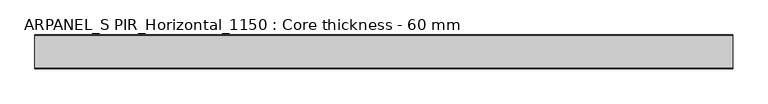
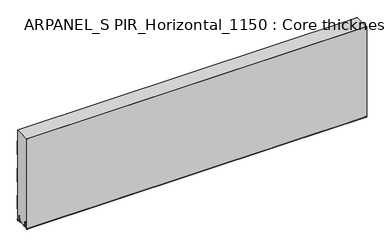
"""IFC4 building model written with IfcOpenShell, lengths in millimetres: plate geometry, ARPANEL_S PIR_Horizontal_1150 : Core thickness - 60 mm."""

from ifc_helpers import new_model, si_unit, frame, origin, place, context, project, spatial, polyline, circle_curve, source, transform, mapped, element, save
from ifc_brep_helpers import plane_surface, cylinder_surface, revolved_surface, advanced_brep


def arpanel_s_pir_horizontal_1150_core_thickness_60_mm_f08bc9b4(model_context):
    return source(origin(), model_context, "Body", "AdvancedBrep", [
        advanced_brep(
        [(620.0, -59.9996949, 3.0900682), (620.0, -53.81449, 2.7875612), (620.0, -52.197116, 19.2828169), (620.0, -49.1776715, 21.9898782), (620.0, -46.1582271, 19.2828169), (620.0, -44.7725998, 5.1510966), (620.0, -40.3830995, 5.365779), (620.0, -41.1830995, 5.365779), (620.0, -43.9764178, 5.2291629), (620.0, -45.3620451, 19.3608832), (620.0, -49.1776715, 22.7899182), (620.0, -52.9932979, 19.3608832), (620.0, -54.6106719, 2.8656275), (620.0, -59.1996949, 3.0900682), (620.0, -59.2, 350.0), (620.0, -59.9996949, 350.0), (-620.0, -59.1996949, 3.0900682), (-620.0, -54.6106719, 2.8656275), (-620.0, -52.9932979, 19.3608832), (-620.0, -49.1776715, 22.7899182), (-620.0, -45.3620451, 19.3608832), (-620.0, -43.9764178, 5.2291629), (-620.0, -41.1830995, 5.365779), (-620.0, -40.3830995, 5.365779), (-620.0, -44.7725998, 5.1510966), (-620.0, -46.1582271, 19.2828169), (-620.0, -49.1776715, 21.9898782), (-620.0, -52.197116, 19.2828169), (-620.0, -53.81449, 2.7875612), (-620.0, -59.9996949, 3.0900682), (-620.0, -59.9996949, 350.0), (-620.0, -59.2, 350.0)],
        [
            (0, 1, circle_curve(frame((620.0, -56.8996949, 3.0900682), z_axis=(1.0, 0.0, 0.0), x_axis=(0.0, 0.0, -1.0)), 3.1)),
            (1, 2),
            (2, 3, circle_curve(frame((620.0, -49.2114338, 18.9900682), z_axis=(-1.0, 0.0, 0.0), x_axis=(0.0, 0.0, -1.0)), 3.0)),
            (3, 4, circle_curve(frame((620.0, -49.1439093, 18.9900682), z_axis=(-1.0, 0.0, 0.0), x_axis=(0.0, 0.0, -1.0)), 3.0)),
            (4, 5),
            (5, 6, circle_curve(frame((620.0, -42.5830995, 5.365779), z_axis=(1.0, 0.0, 0.0), x_axis=(0.0, 0.0, -1.0)), 2.2)),
            (6, 7),
            (7, 8, circle_curve(frame((620.0, -42.5830995, 5.365779), z_axis=(-1.0, 0.0, 0.0), x_axis=(0.0, 0.0, -1.0)), 1.4)),
            (8, 9),
            (9, 10, circle_curve(frame((620.0, -49.1439093, 18.9900682), z_axis=(1.0, 0.0, 0.0), x_axis=(0.0, 0.0, -1.0)), 3.8)),
            (10, 11, circle_curve(frame((620.0, -49.2114338, 18.9900682), z_axis=(1.0, 0.0, 0.0), x_axis=(0.0, 0.0, -1.0)), 3.8)),
            (11, 12),
            (12, 13, circle_curve(frame((620.0, -56.8996949, 3.0900682), z_axis=(-1.0, 0.0, 0.0), x_axis=(0.0, 0.0, -1.0)), 2.3)),
            (13, 14),
            (14, 15),
            (15, 0),
            (16, 17, circle_curve(frame((-620.0, -56.8996949, 3.0900682), z_axis=(1.0, 0.0, 0.0), x_axis=(0.0, 0.0, -1.0)), 2.3)),
            (17, 18),
            (18, 19, circle_curve(frame((-620.0, -49.2114338, 18.9900682), z_axis=(-1.0, 0.0, 0.0), x_axis=(0.0, 0.0, -1.0)), 3.8)),
            (19, 20, circle_curve(frame((-620.0, -49.1439093, 18.9900682), z_axis=(-1.0, 0.0, 0.0), x_axis=(0.0, 0.0, -1.0)), 3.8)),
            (20, 21),
            (21, 22, circle_curve(frame((-620.0, -42.5830995, 5.365779), z_axis=(1.0, 0.0, 0.0), x_axis=(0.0, 0.0, -1.0)), 1.4)),
            (22, 23),
            (23, 24, circle_curve(frame((-620.0, -42.5830995, 5.365779), z_axis=(-1.0, 0.0, 0.0), x_axis=(0.0, 0.0, -1.0)), 2.2)),
            (24, 25),
            (25, 26, circle_curve(frame((-620.0, -49.1439093, 18.9900682), z_axis=(1.0, 0.0, 0.0), x_axis=(0.0, 0.0, -1.0)), 3.0)),
            (26, 27, circle_curve(frame((-620.0, -49.2114338, 18.9900682), z_axis=(1.0, 0.0, 0.0), x_axis=(0.0, 0.0, -1.0)), 3.0)),
            (27, 28),
            (28, 29, circle_curve(frame((-620.0, -56.8996949, 3.0900682), z_axis=(-1.0, 0.0, 0.0), x_axis=(0.0, 0.0, -1.0)), 3.1)),
            (29, 30),
            (30, 31),
            (31, 16),
            (13, 16),
            (31, 14),
            (29, 0),
            (15, 30),
            (12, 17),
            (11, 18),
            (10, 19),
            (9, 20),
            (8, 21),
            (7, 22),
            (6, 23),
            (5, 24),
            (4, 25),
            (3, 26),
            (2, 27),
            (1, 28),
        ],
        [
            plane_surface(frame((620.0, -60.0, 0.0), z_axis=(1.0, 0.0, 0.0), x_axis=(0.0, 1.0, 0.0))),
            plane_surface(frame((-620.0, -60.0, 0.0), z_axis=(-1.0, 0.0, 0.0), x_axis=(0.0, 1.0, 0.0))),
            plane_surface(frame((620.0, -59.2, 3.0900682), z_axis=(0.0, 1.0, 0.0), x_axis=(-1.0, 0.0, 0.0))),
            plane_surface(frame((620.0, -59.9996949, 1143.9000005), z_axis=(0.0, -1.0, 0.0), x_axis=(-1.0, 0.0, 0.0))),
            revolved_surface(polyline([(-620.0, -56.8996949, 0.7900682000000003), (620.0, -56.8996949, 0.7900682000000003)]), (620.0, -56.8996949, 3.0900682), (-1.0, 0.0, 0.0)),
            plane_surface(frame((620.0, -52.9932979, 19.3608832), z_axis=(0.0, -0.9952273999818314, 0.09758289975914787), x_axis=(-1.0, 0.0, 0.0))),
            cylinder_surface(frame((620.0, -49.2114338, 18.9900682), z_axis=(1.0, 0.0, 0.0), x_axis=(0.0, 0.0, -1.0)), 3.8),
            cylinder_surface(frame((620.0, -49.1439093, 18.9900682), z_axis=(1.0, 0.0, 0.0), x_axis=(0.0, 0.0, -1.0)), 3.8),
            plane_surface(frame((620.0, -43.9764178, 5.2291629), z_axis=(0.0, 0.9952273999818297, 0.09758289975916531), x_axis=(-1.0, 0.0, 0.0))),
            revolved_surface(polyline([(-620.0, -42.5830995, 3.965779), (620.0, -42.5830995, 3.965779)]), (620.0, -42.5830995, 5.365779), (-1.0, 0.0, 0.0)),
            plane_surface(frame((620.0, -40.3830995, 5.365779), z_axis=(0.0, 0.0, 1.0), x_axis=(-1.0, 0.0, 0.0))),
            cylinder_surface(frame((620.0, -42.5830995, 5.365779), z_axis=(1.0, 0.0, 0.0), x_axis=(0.0, 0.0, -1.0)), 2.2),
            plane_surface(frame((620.0, -46.1582271, 19.2828169), z_axis=(0.0, -0.9952273999818296, -0.09758289975916527), x_axis=(-1.0, 0.0, 0.0))),
            revolved_surface(polyline([(-620.0, -49.1439093, 15.9900682), (620.0, -49.1439093, 15.9900682)]), (620.0, -49.1439093, 18.9900682), (-1.0, 0.0, 0.0)),
            revolved_surface(polyline([(-620.0, -49.2114338, 15.9900682), (620.0, -49.2114338, 15.9900682)]), (620.0, -49.2114338, 18.9900682), (-1.0, 0.0, 0.0)),
            plane_surface(frame((620.0, -53.81449, 2.7875612), z_axis=(0.0, 0.9952273999818314, -0.09758289975914787), x_axis=(-1.0, 0.0, 0.0))),
            cylinder_surface(frame((620.0, -56.8996949, 3.0900682), z_axis=(1.0, 0.0, 0.0), x_axis=(0.0, 0.0, -1.0)), 3.1),
            plane_surface(frame((-620.0, 134.0533409, 350.0), z_axis=(0.0, 0.0, 1.0), x_axis=(1.0, 0.0, 0.0))),
        ],
        [
            (0, [[1, 2, 3, 4, 5, 6, 7, 8, 9, 10, 11, 12, 13, 14, 15, 16]]),
            (1, [[17, 18, 19, 20, 21, 22, 23, 24, 25, 26, 27, 28, 29, 30, 31, 32]]),
            (2, [[33, -32, 34, -14]]),
            (3, [[35, -16, 36, -30]]),
            (4, [[-13, 37, -17, -33]]),
            (5, [[-12, 38, -18, -37]]),
            (6, [[-11, 39, -19, -38]]),
            (7, [[-10, 40, -20, -39]]),
            (8, [[-9, 41, -21, -40]]),
            (9, [[-8, 42, -22, -41]]),
            (10, [[-7, 43, -23, -42]]),
            (11, [[-6, 44, -24, -43]]),
            (12, [[-5, 45, -25, -44]]),
            (13, [[-4, 46, -26, -45]]),
            (14, [[-3, 47, -27, -46]]),
            (15, [[-2, 48, -28, -47]]),
            (16, [[-1, -35, -29, -48]]),
            (17, [[-15, -34, -31, -36]]),
        ],
    ),
        advanced_brep(
        [(620.0, -0.8, 199.9459237), (620.0, -1.0986697, 200.9973395), (620.0, -1.5003051, 202.4177205), (620.0, -1.5003051, 252.5775037), (620.0, -1.0971009, 253.9969151), (620.0, -0.8, 255.0493005), (620.0, -0.8, 305.2090837), (620.0, -1.0986697, 306.2604995), (620.0, -1.5003051, 307.6808805), (620.0, -1.5003051, 350.0), (620.0, -59.2, 350.0), (620.0, -59.2, 3.0900682), (620.0, -54.6106719, 2.8656275), (620.0, -52.9932979, 19.3608832), (620.0, -49.1776715, 22.7899182), (620.0, -45.3620451, 19.3608832), (620.0, -43.9764178, 5.2291629), (620.0, -41.1830995, 5.365779), (620.0, -40.3830995, 5.365779), (620.0, -40.6102539, 4.3921875), (620.0, -19.3897461, 4.3921875), (620.0, -19.6169005, 5.365779), (620.0, -18.8169005, 5.365779), (620.0, -16.0235822, 5.2291629), (620.0, -14.6379549, 19.3608832), (620.0, -10.8223285, 22.7899182), (620.0, -7.0067021, 19.3608832), (620.0, -5.3893281, 2.8656275), (620.0, -0.8023367, 3.1867178), (620.0, -1.0986697, 4.141484), (620.0, -1.5003051, 5.5618649), (620.0, -1.5003051, 42.0511837), (620.0, -1.0971009, 43.4705951), (620.0, -0.8, 44.5229805), (620.0, -0.8, 94.6827637), (620.0, -1.0986697, 95.7341795), (620.0, -1.5003051, 97.1545605), (620.0, -1.5003051, 147.3143437), (620.0, -1.0971009, 148.7337551), (620.0, -0.8, 149.7861405), (-620.0, -1.0986697, 200.9973395), (-620.0, -0.8, 199.9459237), (-620.0, -0.8, 149.7861405), (-620.0, -1.0986697, 148.7347246), (-620.0, -1.5003051, 147.3143437), (-620.0, -1.5003051, 97.1545605), (-620.0, -1.0971009, 95.7351491), (-620.0, -0.8, 94.6827637), (-620.0, -0.8, 44.5229805), (-620.0, -1.0986697, 43.4715646), (-620.0, -1.5003051, 42.0511837), (-620.0, -1.5003051, 5.5618649), (-620.0, -1.0971009, 4.1424535), (-620.0, -0.8023367, 3.1867178), (-620.0, -5.3893281, 2.8656275), (-620.0, -7.0067021, 19.3608832), (-620.0, -10.8223285, 22.7899182), (-620.0, -14.6379549, 19.3608832), (-620.0, -16.0235822, 5.2291629), (-620.0, -18.4553868, 4.4268721), (-620.0, -18.8169005, 5.365779), (-620.0, -19.6169005, 5.365779), (-620.0, -19.3897461, 4.3921875), (-620.0, -40.6102539, 4.3921875), (-620.0, -40.3830995, 5.365779), (-620.0, -41.1830995, 5.365779), (-620.0, -41.5446132, 4.4268721), (-620.0, -43.9764178, 5.2291629), (-620.0, -45.3620451, 19.3608832), (-620.0, -49.1776715, 22.7899182), (-620.0, -52.9932979, 19.3608832), (-620.0, -54.6106719, 2.8656275), (-620.0, -59.1996949, 3.0900682), (-620.0, -59.2, 350.0), (-620.0, -1.5003051, 350.0), (-620.0, -1.5003051, 307.6808805), (-620.0, -1.0971009, 306.2614691), (-620.0, -0.8, 305.2090837), (-620.0, -0.8, 255.0493005), (-620.0, -1.0986697, 253.9978846), (-620.0, -1.5003051, 252.5775037), (-620.0, -1.5003051, 202.4177205)],
        [
            (0, 1, circle_curve(frame((620.0, -2.8, 199.9459237), z_axis=(1.0, 0.0, 0.0), x_axis=(0.0, 0.0, -1.0)), 2.0)),
            (1, 2, circle_curve(frame((620.0, 1.1996949, 202.4177205), z_axis=(-1.0, 0.0, 0.0), x_axis=(0.0, 0.0, -1.0)), 2.7)),
            (2, 3),
            (3, 4, circle_curve(frame((620.0, 1.1996949, 252.5775037), z_axis=(-1.0, 0.0, 0.0), x_axis=(0.0, 0.0, -1.0)), 2.7)),
            (4, 5, circle_curve(frame((620.0, -2.8, 255.0493005), z_axis=(1.0, 0.0, 0.0), x_axis=(0.0, 0.0, -1.0)), 2.0)),
            (5, 6),
            (6, 7, circle_curve(frame((620.0, -2.8, 305.2090837), z_axis=(1.0, 0.0, 0.0), x_axis=(0.0, 0.0, -1.0)), 2.0)),
            (7, 8, circle_curve(frame((620.0, 1.1996949, 307.6808805), z_axis=(-1.0, 0.0, 0.0), x_axis=(0.0, 0.0, -1.0)), 2.7)),
            (8, 9),
            (9, 10),
            (10, 11),
            (11, 12, circle_curve(frame((620.0, -56.8996949, 3.0900682), z_axis=(1.0, 0.0, 0.0), x_axis=(0.0, 0.0, -1.0)), 2.3)),
            (12, 13),
            (13, 14, circle_curve(frame((620.0, -49.2114338, 18.9900682), z_axis=(-1.0, 0.0, 0.0), x_axis=(0.0, 0.0, -1.0)), 3.8)),
            (14, 15, circle_curve(frame((620.0, -49.1439093, 18.9900682), z_axis=(-1.0, 0.0, 0.0), x_axis=(0.0, 0.0, -1.0)), 3.8)),
            (15, 16),
            (16, 17, circle_curve(frame((620.0, -42.5830995, 5.365779), z_axis=(1.0, 0.0, 0.0), x_axis=(0.0, 0.0, -1.0)), 1.4)),
            (17, 18),
            (18, 19, circle_curve(frame((620.0, -42.5830995, 5.365779), z_axis=(-1.0, 0.0, 0.0), x_axis=(0.0, 0.0, -1.0)), 2.2)),
            (19, 20),
            (20, 21, circle_curve(frame((620.0, -17.4169005, 5.365779), z_axis=(-1.0, 0.0, 0.0), x_axis=(0.0, 0.0, -1.0)), 2.2)),
            (21, 22),
            (22, 23, circle_curve(frame((620.0, -17.4169005, 5.365779), z_axis=(1.0, 0.0, 0.0), x_axis=(0.0, 0.0, -1.0)), 1.4)),
            (23, 24),
            (24, 25, circle_curve(frame((620.0, -10.8560907, 18.9900682), z_axis=(-1.0, 0.0, 0.0), x_axis=(0.0, 0.0, -1.0)), 3.8)),
            (25, 26, circle_curve(frame((620.0, -10.7885662, 18.9900682), z_axis=(-1.0, 0.0, 0.0), x_axis=(0.0, 0.0, -1.0)), 3.8)),
            (26, 27),
            (27, 28, circle_curve(frame((620.0, -3.1003051, 3.0900682), z_axis=(1.0, 0.0, 0.0), x_axis=(0.0, 0.0, -1.0)), 2.3)),
            (28, 29, circle_curve(frame((620.0, -2.8, 3.0900682), z_axis=(1.0, 0.0, 0.0), x_axis=(0.0, 0.0, -1.0)), 2.0)),
            (29, 30, circle_curve(frame((620.0, 1.1996949, 5.5618649), z_axis=(-1.0, 0.0, 0.0), x_axis=(0.0, 0.0, -1.0)), 2.7)),
            (30, 31),
            (31, 32, circle_curve(frame((620.0, 1.1996949, 42.0511837), z_axis=(-1.0, 0.0, 0.0), x_axis=(0.0, 0.0, -1.0)), 2.7)),
            (32, 33, circle_curve(frame((620.0, -2.8, 44.5229805), z_axis=(1.0, 0.0, 0.0), x_axis=(0.0, 0.0, -1.0)), 2.0)),
            (33, 34),
            (34, 35, circle_curve(frame((620.0, -2.8, 94.6827637), z_axis=(1.0, 0.0, 0.0), x_axis=(0.0, 0.0, -1.0)), 2.0)),
            (35, 36, circle_curve(frame((620.0, 1.1996949, 97.1545605), z_axis=(-1.0, 0.0, 0.0), x_axis=(0.0, 0.0, -1.0)), 2.7)),
            (36, 37),
            (37, 38, circle_curve(frame((620.0, 1.1996949, 147.3143437), z_axis=(-1.0, 0.0, 0.0), x_axis=(0.0, 0.0, -1.0)), 2.7)),
            (38, 39, circle_curve(frame((620.0, -2.8, 149.7861405), z_axis=(1.0, 0.0, 0.0), x_axis=(0.0, 0.0, -1.0)), 2.0)),
            (39, 0),
            (40, 41, circle_curve(frame((-620.0, -2.8, 199.9459237), z_axis=(-1.0, 0.0, 0.0), x_axis=(0.0, 0.0, -1.0)), 2.0)),
            (41, 42),
            (42, 43, circle_curve(frame((-620.0, -2.8, 149.7861405), z_axis=(-1.0, 0.0, 0.0), x_axis=(0.0, 0.0, -1.0)), 2.0)),
            (43, 44, circle_curve(frame((-620.0, 1.1996949, 147.3143437), z_axis=(1.0, 0.0, 0.0), x_axis=(0.0, 0.0, -1.0)), 2.7)),
            (44, 45),
            (45, 46, circle_curve(frame((-620.0, 1.1996949, 97.1545605), z_axis=(1.0, 0.0, 0.0), x_axis=(0.0, 0.0, -1.0)), 2.7)),
            (46, 47, circle_curve(frame((-620.0, -2.8, 94.6827637), z_axis=(-1.0, 0.0, 0.0), x_axis=(0.0, 0.0, -1.0)), 2.0)),
            (47, 48),
            (48, 49, circle_curve(frame((-620.0, -2.8, 44.5229805), z_axis=(-1.0, 0.0, 0.0), x_axis=(0.0, 0.0, -1.0)), 2.0)),
            (49, 50, circle_curve(frame((-620.0, 1.1996949, 42.0511837), z_axis=(1.0, 0.0, 0.0), x_axis=(0.0, 0.0, -1.0)), 2.7)),
            (50, 51),
            (51, 52, circle_curve(frame((-620.0, 1.1996949, 5.5618649), z_axis=(1.0, 0.0, 0.0), x_axis=(0.0, 0.0, -1.0)), 2.7)),
            (52, 53, circle_curve(frame((-620.0, -2.8, 3.0900682), z_axis=(-1.0, 0.0, 0.0), x_axis=(0.0, 0.0, -1.0)), 2.0)),
            (53, 54, circle_curve(frame((-620.0, -3.1003051, 3.0900682), z_axis=(-1.0, 0.0, 0.0), x_axis=(0.0, 0.0, -1.0)), 2.3)),
            (54, 55),
            (55, 56, circle_curve(frame((-620.0, -10.7885662, 18.9900682), z_axis=(1.0, 0.0, 0.0), x_axis=(0.0, 0.0, -1.0)), 3.8)),
            (56, 57, circle_curve(frame((-620.0, -10.8560907, 18.9900682), z_axis=(1.0, 0.0, 0.0), x_axis=(0.0, 0.0, -1.0)), 3.8)),
            (57, 58),
            (58, 59, circle_curve(frame((-620.0, -17.4169005, 5.365779), z_axis=(-1.0, 0.0, 0.0), x_axis=(0.0, 0.0, -1.0)), 1.4)),
            (59, 60, circle_curve(frame((-620.0, -17.4169005, 5.365779), z_axis=(-1.0, 0.0, 0.0), x_axis=(0.0, 0.0, -1.0)), 1.4)),
            (60, 61),
            (61, 62, circle_curve(frame((-620.0, -17.4169005, 5.365779), z_axis=(1.0, 0.0, 0.0), x_axis=(0.0, 0.0, -1.0)), 2.2)),
            (62, 63),
            (63, 64, circle_curve(frame((-620.0, -42.5830995, 5.365779), z_axis=(1.0, 0.0, 0.0), x_axis=(0.0, 0.0, -1.0)), 2.2)),
            (64, 65),
            (65, 66, circle_curve(frame((-620.0, -42.5830995, 5.365779), z_axis=(-1.0, 0.0, 0.0), x_axis=(0.0, 0.0, -1.0)), 1.4)),
            (66, 67, circle_curve(frame((-620.0, -42.5830995, 5.365779), z_axis=(-1.0, 0.0, 0.0), x_axis=(0.0, 0.0, -1.0)), 1.4)),
            (67, 68),
            (68, 69, circle_curve(frame((-620.0, -49.1439093, 18.9900682), z_axis=(1.0, 0.0, 0.0), x_axis=(0.0, 0.0, -1.0)), 3.8)),
            (69, 70, circle_curve(frame((-620.0, -49.2114338, 18.9900682), z_axis=(1.0, 0.0, 0.0), x_axis=(0.0, 0.0, -1.0)), 3.8)),
            (70, 71),
            (71, 72, circle_curve(frame((-620.0, -56.8996949, 3.0900682), z_axis=(-1.0, 0.0, 0.0), x_axis=(0.0, 0.0, -1.0)), 2.3)),
            (72, 73),
            (73, 74),
            (74, 75),
            (75, 76, circle_curve(frame((-620.0, 1.1996949, 307.6808805), z_axis=(1.0, 0.0, 0.0), x_axis=(0.0, 0.0, -1.0)), 2.7)),
            (76, 77, circle_curve(frame((-620.0, -2.8, 305.2090837), z_axis=(-1.0, 0.0, 0.0), x_axis=(0.0, 0.0, -1.0)), 2.0)),
            (77, 78),
            (78, 79, circle_curve(frame((-620.0, -2.8, 255.0493005), z_axis=(-1.0, 0.0, 0.0), x_axis=(0.0, 0.0, -1.0)), 2.0)),
            (79, 80, circle_curve(frame((-620.0, 1.1996949, 252.5775037), z_axis=(1.0, 0.0, 0.0), x_axis=(0.0, 0.0, -1.0)), 2.7)),
            (80, 81),
            (81, 40, circle_curve(frame((-620.0, 1.1996949, 202.4177205), z_axis=(1.0, 0.0, 0.0), x_axis=(0.0, 0.0, -1.0)), 2.7)),
            (40, 1),
            (0, 41),
            (81, 2),
            (80, 3),
            (79, 4),
            (78, 5),
            (77, 6),
            (76, 7),
            (75, 8),
            (74, 9),
            (72, 11),
            (10, 73),
            (46, 35),
            (34, 47),
            (45, 36),
            (44, 37),
            (43, 38),
            (42, 39),
            (71, 12),
            (18, 64),
            (63, 19),
            (61, 21),
            (20, 62),
            (60, 22),
            (58, 23),
            (57, 24),
            (56, 25),
            (55, 26),
            (54, 27),
            (53, 28),
            (52, 29),
            (51, 30),
            (50, 31),
            (49, 32),
            (48, 33),
            (70, 13),
            (69, 14),
            (68, 15),
            (67, 16),
            (65, 17),
        ],
        [
            plane_surface(frame((620.0, 0.0, 0.0), z_axis=(1.0, 0.0, 0.0), x_axis=(0.0, -1.0, 0.0))),
            plane_surface(frame((-620.0, 0.0, 0.0), z_axis=(-1.0, 0.0, 0.0), x_axis=(0.0, -1.0, 0.0))),
            cylinder_surface(frame((750.0, -2.8, 199.9459237), z_axis=(-1.0, 0.0, 0.0), x_axis=(0.0, 0.0, -1.0)), 2.0),
            revolved_surface(polyline([(620.0, 1.1996949, 199.7177205), (-620.0, 1.1996949, 199.7177205)]), (750.0, 1.1996949, 202.4177205), (1.0, 0.0, 0.0)),
            plane_surface(frame((750.0, -1.5003051, 252.5775037), z_axis=(0.0, 1.0, 0.0), x_axis=(-1.0, 0.0, 0.0))),
            revolved_surface(polyline([(620.0, 1.1996949, 249.8775037), (-620.0, 1.1996949, 249.8775037)]), (750.0, 1.1996949, 252.5775037), (1.0, 0.0, 0.0)),
            cylinder_surface(frame((750.0, -2.8, 255.0493005), z_axis=(-1.0, 0.0, 0.0), x_axis=(0.0, 0.0, -1.0)), 2.0),
            plane_surface(frame((750.0, -0.8, 305.2090837), z_axis=(0.0, 1.0, 0.0), x_axis=(-1.0, 0.0, 0.0))),
            cylinder_surface(frame((750.0, -2.8, 305.2090837), z_axis=(-1.0, 0.0, 0.0), x_axis=(0.0, 0.0, -1.0)), 2.0),
            revolved_surface(polyline([(620.0, 1.1996949, 304.9808805), (-620.0, 1.1996949, 304.9808805)]), (750.0, 1.1996949, 307.6808805), (1.0, 0.0, 0.0)),
            plane_surface(frame((750.0, -1.5003051, 357.8406637), z_axis=(0.0, 1.0, 0.0), x_axis=(-1.0, 0.0, 0.0))),
            plane_surface(frame((750.0, -59.2, 3.0900682), z_axis=(0.0, -1.0, 0.0), x_axis=(-1.0, 0.0, 0.0))),
            cylinder_surface(frame((750.0, -2.8, 94.6827637), z_axis=(-1.0, 0.0, 0.0), x_axis=(0.0, 0.0, -1.0)), 2.0),
            revolved_surface(polyline([(620.0, 1.1996949, 94.4545605), (-620.0, 1.1996949, 94.4545605)]), (750.0, 1.1996949, 97.1545605), (1.0, 0.0, 0.0)),
            plane_surface(frame((750.0, -1.5003051, 147.3143437), z_axis=(0.0, 1.0, 0.0), x_axis=(-1.0, 0.0, 0.0))),
            revolved_surface(polyline([(620.0, 1.1996949, 144.6143437), (-620.0, 1.1996949, 144.6143437)]), (750.0, 1.1996949, 147.3143437), (1.0, 0.0, 0.0)),
            cylinder_surface(frame((750.0, -2.8, 149.7861405), z_axis=(-1.0, 0.0, 0.0), x_axis=(0.0, 0.0, -1.0)), 2.0),
            plane_surface(frame((750.0, -0.8, 199.9459237), z_axis=(0.0, 1.0, 0.0), x_axis=(-1.0, 0.0, 0.0))),
            cylinder_surface(frame((750.0, -56.8996949, 3.0900682), z_axis=(-1.0, 0.0, 0.0), x_axis=(0.0, 0.0, -1.0)), 2.3),
            revolved_surface(polyline([(620.0, -42.5830995, 3.1657789999999997), (-620.0, -42.5830995, 3.1657789999999997)]), (750.0, -42.5830995, 5.365779), (1.0, 0.0, 0.0)),
            revolved_surface(polyline([(620.0, -17.4169005, 3.1657789999999997), (-620.0, -17.4169005, 3.1657789999999997)]), (750.0, -17.4169005, 5.365779), (1.0, 0.0, 0.0)),
            plane_surface(frame((750.0, -18.8169005, 5.365779), z_axis=(0.0, 0.0, -1.0), x_axis=(-1.0, 0.0, 0.0))),
            cylinder_surface(frame((750.0, -17.4169005, 5.365779), z_axis=(-1.0, 0.0, 0.0), x_axis=(0.0, 0.0, -1.0)), 1.4),
            plane_surface(frame((750.0, -14.6379549, 19.3608832), z_axis=(0.0, 0.9952273999818297, -0.09758289975916531), x_axis=(-1.0, 0.0, 0.0))),
            revolved_surface(polyline([(620.0, -10.8560907, 15.190068199999999), (-620.0, -10.8560907, 15.190068199999999)]), (750.0, -10.8560907, 18.9900682), (1.0, 0.0, 0.0)),
            revolved_surface(polyline([(620.0, -10.7885662, 15.190068199999999), (-620.0, -10.7885662, 15.190068199999999)]), (750.0, -10.7885662, 18.9900682), (1.0, 0.0, 0.0)),
            plane_surface(frame((750.0, -5.3893281, 2.8656275), z_axis=(0.0, -0.9952273999818314, -0.09758289975914787), x_axis=(-1.0, 0.0, 0.0))),
            cylinder_surface(frame((750.0, -3.1003051, 3.0900682), z_axis=(-1.0, 0.0, 0.0), x_axis=(0.0, 0.0, -1.0)), 2.3),
            cylinder_surface(frame((750.0, -2.8, 3.0900682), z_axis=(-1.0, 0.0, 0.0), x_axis=(0.0, 0.0, -1.0)), 2.0),
            revolved_surface(polyline([(620.0, 1.1996949, 2.8618648999999996), (-620.0, 1.1996949, 2.8618648999999996)]), (750.0, 1.1996949, 5.5618649), (1.0, 0.0, 0.0)),
            plane_surface(frame((750.0, -1.5003051, 42.0511837), z_axis=(0.0, 1.0, 0.0), x_axis=(-1.0, 0.0, 0.0))),
            revolved_surface(polyline([(620.0, 1.1996949, 39.3511837), (-620.0, 1.1996949, 39.3511837)]), (750.0, 1.1996949, 42.0511837), (1.0, 0.0, 0.0)),
            cylinder_surface(frame((750.0, -2.8, 44.5229805), z_axis=(-1.0, 0.0, 0.0), x_axis=(0.0, 0.0, -1.0)), 2.0),
            plane_surface(frame((750.0, -0.8, 94.6827637), z_axis=(0.0, 1.0, 0.0), x_axis=(-1.0, 0.0, 0.0))),
            plane_surface(frame((750.0, -52.9932979, 19.3608832), z_axis=(0.0, 0.9952273999818314, -0.09758289975914787), x_axis=(-1.0, 0.0, 0.0))),
            revolved_surface(polyline([(620.0, -49.2114338, 15.190068199999999), (-620.0, -49.2114338, 15.190068199999999)]), (750.0, -49.2114338, 18.9900682), (1.0, 0.0, 0.0)),
            revolved_surface(polyline([(620.0, -49.1439093, 15.190068199999999), (-620.0, -49.1439093, 15.190068199999999)]), (750.0, -49.1439093, 18.9900682), (1.0, 0.0, 0.0)),
            plane_surface(frame((750.0, -43.9764178, 5.2291629), z_axis=(0.0, -0.9952273999818297, -0.09758289975916531), x_axis=(-1.0, 0.0, 0.0))),
            cylinder_surface(frame((750.0, -42.5830995, 5.365779), z_axis=(-1.0, 0.0, 0.0), x_axis=(0.0, 0.0, -1.0)), 1.4),
            plane_surface(frame((750.0, -40.3830995, 5.365779), z_axis=(0.0, 0.0, -1.0), x_axis=(-1.0, 0.0, 0.0))),
            plane_surface(frame((620.0, -41.50625, 4.3921875), z_axis=(0.0, 0.0, -1.0), x_axis=(-1.0, 0.0, 0.0))),
            plane_surface(frame((-620.0, 134.0533409, 350.0), z_axis=(0.0, 0.0, 1.0), x_axis=(1.0, 0.0, 0.0))),
        ],
        [
            (0, [[1, 2, 3, 4, 5, 6, 7, 8, 9, 10, 11, 12, 13, 14, 15, 16, 17, 18, 19, 20, 21, 22, 23, 24, 25, 26, 27, 28, 29, 30, 31, 32, 33, 34, 35, 36, 37, 38, 39, 40]]),
            (1, [[41, 42, 43, 44, 45, 46, 47, 48, 49, 50, 51, 52, 53, 54, 55, 56, 57, 58, 59, 60, 61, 62, 63, 64, 65, 66, 67, 68, 69, 70, 71, 72, 73, 74, 75, 76, 77, 78, 79, 80, 81, 82]]),
            (2, [[83, -1, 84, -41]]),
            (3, [[-83, -82, 85, -2]]),
            (4, [[-85, -81, 86, -3]]),
            (5, [[-86, -80, 87, -4]]),
            (6, [[-87, -79, 88, -5]]),
            (7, [[-88, -78, 89, -6]]),
            (8, [[-89, -77, 90, -7]]),
            (9, [[-90, -76, 91, -8]]),
            (10, [[-91, -75, 92, -9]]),
            (11, [[93, -11, 94, -73]]),
            (12, [[95, -35, 96, -47]]),
            (13, [[-95, -46, 97, -36]]),
            (14, [[-97, -45, 98, -37]]),
            (15, [[-98, -44, 99, -38]]),
            (16, [[-99, -43, 100, -39]]),
            (17, [[-100, -42, -84, -40]]),
            (18, [[-93, -72, 101, -12]]),
            (19, [[102, -64, 103, -19]]),
            (20, [[104, -21, 105, -62]]),
            (21, [[-104, -61, 106, -22]]),
            (22, [[-106, -60, -59, 107, -23]]),
            (23, [[-107, -58, 108, -24]]),
            (24, [[-108, -57, 109, -25]]),
            (25, [[-109, -56, 110, -26]]),
            (26, [[-110, -55, 111, -27]]),
            (27, [[-111, -54, 112, -28]]),
            (28, [[-112, -53, 113, -29]]),
            (29, [[-113, -52, 114, -30]]),
            (30, [[-114, -51, 115, -31]]),
            (31, [[-115, -50, 116, -32]]),
            (32, [[-116, -49, 117, -33]]),
            (33, [[-117, -48, -96, -34]]),
            (34, [[-101, -71, 118, -13]]),
            (35, [[-118, -70, 119, -14]]),
            (36, [[-119, -69, 120, -15]]),
            (37, [[-120, -68, 121, -16]]),
            (38, [[-121, -67, -66, 122, -17]]),
            (39, [[-122, -65, -102, -18]]),
            (40, [[-105, -20, -103, -63]]),
            (41, [[-92, -74, -94, -10]]),
        ],
    ),
        advanced_brep(
        [(-620.0, -0.7003051, 307.6808805), (-620.0, -0.4016712, 306.6295226), (-620.0, -0.0003051, 305.2090837), (-620.0, -0.0003051, 255.0493005), (-620.0, -0.4034608, 253.6299674), (-620.0, -0.7003051, 252.5775037), (-620.0, -0.7003051, 202.4177205), (-620.0, -0.4016712, 201.3663626), (-620.0, -0.0003051, 199.9459237), (-620.0, -0.0003051, 149.7861405), (-620.0, -0.4034608, 148.3668074), (-620.0, -0.7003051, 147.3143437), (-620.0, -0.7003051, 97.1545605), (-620.0, -0.4016712, 96.1032026), (-620.0, -0.0003051, 94.6827637), (-620.0, -0.0003051, 44.5229805), (-620.0, -0.4034608, 43.1036474), (-620.0, -0.7003051, 42.0511837), (-620.0, -0.7003051, 5.5618649), (-620.0, -0.4016712, 4.5105071), (-620.0, -0.0003051, 3.0900682), (-620.0, -6.18551, 2.7875612), (-620.0, -7.802884, 19.2828169), (-620.0, -10.8223285, 21.9898782), (-620.0, -13.8417729, 19.2828169), (-620.0, -15.2274002, 5.1510966), (-620.0, -19.6169005, 5.365779), (-620.0, -18.8169005, 5.365779), (-620.0, -16.0235822, 5.2291629), (-620.0, -14.6379549, 19.3608832), (-620.0, -10.8223285, 22.7899182), (-620.0, -7.0067021, 19.3608832), (-620.0, -5.3893281, 2.8656275), (-620.0, -0.8023367, 3.1867178), (-620.0, -1.0986697, 4.141484), (-620.0, -1.5003051, 5.5618649), (-620.0, -1.5003051, 42.0511837), (-620.0, -1.0971009, 43.4705951), (-620.0, -0.8, 44.5229805), (-620.0, -0.8, 94.6827637), (-620.0, -1.0986697, 95.7341795), (-620.0, -1.5003051, 97.1545605), (-620.0, -1.5003051, 147.3143437), (-620.0, -1.0971009, 148.7337551), (-620.0, -0.8, 149.7861405), (-620.0, -0.8, 199.9459237), (-620.0, -1.0986697, 200.9973395), (-620.0, -1.5003051, 202.4177205), (-620.0, -1.5003051, 252.5775037), (-620.0, -1.0971009, 253.9969151), (-620.0, -0.8, 255.0493005), (-620.0, -0.8, 305.2090837), (-620.0, -1.0986697, 306.2604995), (-620.0, -1.5003051, 307.6808805), (-620.0, -1.5003051, 350.0), (-620.0, -0.7003051, 350.0), (620.0, -1.5003051, 307.6808805), (620.0, -1.0971009, 306.2614691), (620.0, -0.8, 305.2090837), (620.0, -0.8, 255.0493005), (620.0, -1.0986697, 253.9978846), (620.0, -1.5003051, 252.5775037), (620.0, -1.5003051, 202.4177205), (620.0, -1.0971009, 200.9983091), (620.0, -0.8, 199.9459237), (620.0, -0.8, 149.7861405), (620.0, -1.0986697, 148.7347246), (620.0, -1.5003051, 147.3143437), (620.0, -1.5003051, 97.1545605), (620.0, -1.0971009, 95.7351491), (620.0, -0.8, 94.6827637), (620.0, -0.8, 44.5229805), (620.0, -1.0986697, 43.4715646), (620.0, -1.5003051, 42.0511837), (620.0, -1.5003051, 5.5618649), (620.0, -1.0971009, 4.1424535), (620.0, -0.8023367, 3.1867178), (620.0, -5.3893281, 2.8656275), (620.0, -7.0067021, 19.3608832), (620.0, -10.8223285, 22.7899182), (620.0, -14.6379549, 19.3608832), (620.0, -16.0235822, 5.2291629), (620.0, -18.8169005, 5.365779), (620.0, -19.6169005, 5.365779), (620.0, -15.2274002, 5.1510966), (620.0, -13.8417729, 19.2828169), (620.0, -10.8223285, 21.9898782), (620.0, -7.802884, 19.2828169), (620.0, -6.18551, 2.7875612), (620.0, -0.0003051, 3.0900682), (620.0, -0.4034608, 4.5094012), (620.0, -0.7003051, 5.5618649), (620.0, -0.7003051, 42.0511837), (620.0, -0.4016712, 43.1025415), (620.0, -0.0003051, 44.5229805), (620.0, -0.0003051, 94.6827637), (620.0, -0.4034608, 96.1020968), (620.0, -0.7003051, 97.1545605), (620.0, -0.7003051, 147.3143437), (620.0, -0.4016712, 148.3657015), (620.0, -0.0003051, 149.7861405), (620.0, -0.0003051, 199.9459237), (620.0, -0.4034608, 201.3652568), (620.0, -0.7003051, 202.4177205), (620.0, -0.7003051, 252.5775037), (620.0, -0.4016712, 253.6288615), (620.0, -0.0003051, 255.0493005), (620.0, -0.0003051, 305.2090837), (620.0, -0.4034608, 306.6284168), (620.0, -0.7003051, 307.6808805), (620.0, -0.7003051, 350.0), (620.0, -1.5003051, 350.0)],
        [
            (0, 1, circle_curve(frame((-620.0, 1.2996949, 307.6808805), z_axis=(1.0, 0.0, 0.0), x_axis=(0.0, 0.0, -1.0)), 2.0)),
            (1, 2, circle_curve(frame((-620.0, -2.7003051, 305.2090837), z_axis=(-1.0, 0.0, 0.0), x_axis=(0.0, 0.0, -1.0)), 2.7)),
            (2, 3),
            (3, 4, circle_curve(frame((-620.0, -2.7003051, 255.0493005), z_axis=(-1.0, 0.0, 0.0), x_axis=(0.0, 0.0, -1.0)), 2.7)),
            (4, 5, circle_curve(frame((-620.0, 1.2996949, 252.5775037), z_axis=(1.0, 0.0, 0.0), x_axis=(0.0, 0.0, -1.0)), 2.0)),
            (5, 6),
            (6, 7, circle_curve(frame((-620.0, 1.2996949, 202.4177205), z_axis=(1.0, 0.0, 0.0), x_axis=(0.0, 0.0, -1.0)), 2.0)),
            (7, 8, circle_curve(frame((-620.0, -2.7003051, 199.9459237), z_axis=(-1.0, 0.0, 0.0), x_axis=(0.0, 0.0, -1.0)), 2.7)),
            (8, 9),
            (9, 10, circle_curve(frame((-620.0, -2.7003051, 149.7861405), z_axis=(-1.0, 0.0, 0.0), x_axis=(0.0, 0.0, -1.0)), 2.7)),
            (10, 11, circle_curve(frame((-620.0, 1.2996949, 147.3143437), z_axis=(1.0, 0.0, 0.0), x_axis=(0.0, 0.0, -1.0)), 2.0)),
            (11, 12),
            (12, 13, circle_curve(frame((-620.0, 1.2996949, 97.1545605), z_axis=(1.0, 0.0, 0.0), x_axis=(0.0, 0.0, -1.0)), 2.0)),
            (13, 14, circle_curve(frame((-620.0, -2.7003051, 94.6827637), z_axis=(-1.0, 0.0, 0.0), x_axis=(0.0, 0.0, -1.0)), 2.7)),
            (14, 15),
            (15, 16, circle_curve(frame((-620.0, -2.7003051, 44.5229805), z_axis=(-1.0, 0.0, 0.0), x_axis=(0.0, 0.0, -1.0)), 2.7)),
            (16, 17, circle_curve(frame((-620.0, 1.2996949, 42.0511837), z_axis=(1.0, 0.0, 0.0), x_axis=(0.0, 0.0, -1.0)), 2.0)),
            (17, 18),
            (18, 19, circle_curve(frame((-620.0, 1.2996949, 5.5618649), z_axis=(1.0, 0.0, 0.0), x_axis=(0.0, 0.0, -1.0)), 2.0)),
            (19, 20, circle_curve(frame((-620.0, -2.7003051, 3.0900682), z_axis=(-1.0, 0.0, 0.0), x_axis=(0.0, 0.0, -1.0)), 2.7)),
            (20, 21, circle_curve(frame((-620.0, -3.1003051, 3.0900682), z_axis=(-1.0, 0.0, 0.0), x_axis=(0.0, 0.0, -1.0)), 3.1)),
            (21, 22),
            (22, 23, circle_curve(frame((-620.0, -10.7885662, 18.9900682), z_axis=(1.0, 0.0, 0.0), x_axis=(0.0, 0.0, -1.0)), 3.0)),
            (23, 24, circle_curve(frame((-620.0, -10.8560907, 18.9900682), z_axis=(1.0, 0.0, 0.0), x_axis=(0.0, 0.0, -1.0)), 3.0)),
            (24, 25),
            (25, 26, circle_curve(frame((-620.0, -17.4169005, 5.365779), z_axis=(-1.0, 0.0, 0.0), x_axis=(0.0, 0.0, -1.0)), 2.2)),
            (26, 27),
            (27, 28, circle_curve(frame((-620.0, -17.4169005, 5.365779), z_axis=(1.0, 0.0, 0.0), x_axis=(0.0, 0.0, -1.0)), 1.4)),
            (28, 29),
            (29, 30, circle_curve(frame((-620.0, -10.8560907, 18.9900682), z_axis=(-1.0, 0.0, 0.0), x_axis=(0.0, 0.0, -1.0)), 3.8)),
            (30, 31, circle_curve(frame((-620.0, -10.7885662, 18.9900682), z_axis=(-1.0, 0.0, 0.0), x_axis=(0.0, 0.0, -1.0)), 3.8)),
            (31, 32),
            (32, 33, circle_curve(frame((-620.0, -3.1003051, 3.0900682), z_axis=(1.0, 0.0, 0.0), x_axis=(0.0, 0.0, -1.0)), 2.3)),
            (33, 34, circle_curve(frame((-620.0, -2.8, 3.0900682), z_axis=(1.0, 0.0, 0.0), x_axis=(0.0, 0.0, -1.0)), 2.0)),
            (34, 35, circle_curve(frame((-620.0, 1.1996949, 5.5618649), z_axis=(-1.0, 0.0, 0.0), x_axis=(0.0, 0.0, -1.0)), 2.7)),
            (35, 36),
            (36, 37, circle_curve(frame((-620.0, 1.1996949, 42.0511837), z_axis=(-1.0, 0.0, 0.0), x_axis=(0.0, 0.0, -1.0)), 2.7)),
            (37, 38, circle_curve(frame((-620.0, -2.8, 44.5229805), z_axis=(1.0, 0.0, 0.0), x_axis=(0.0, 0.0, -1.0)), 2.0)),
            (38, 39),
            (39, 40, circle_curve(frame((-620.0, -2.8, 94.6827637), z_axis=(1.0, 0.0, 0.0), x_axis=(0.0, 0.0, -1.0)), 2.0)),
            (40, 41, circle_curve(frame((-620.0, 1.1996949, 97.1545605), z_axis=(-1.0, 0.0, 0.0), x_axis=(0.0, 0.0, -1.0)), 2.7)),
            (41, 42),
            (42, 43, circle_curve(frame((-620.0, 1.1996949, 147.3143437), z_axis=(-1.0, 0.0, 0.0), x_axis=(0.0, 0.0, -1.0)), 2.7)),
            (43, 44, circle_curve(frame((-620.0, -2.8, 149.7861405), z_axis=(1.0, 0.0, 0.0), x_axis=(0.0, 0.0, -1.0)), 2.0)),
            (44, 45),
            (45, 46, circle_curve(frame((-620.0, -2.8, 199.9459237), z_axis=(1.0, 0.0, 0.0), x_axis=(0.0, 0.0, -1.0)), 2.0)),
            (46, 47, circle_curve(frame((-620.0, 1.1996949, 202.4177205), z_axis=(-1.0, 0.0, 0.0), x_axis=(0.0, 0.0, -1.0)), 2.7)),
            (47, 48),
            (48, 49, circle_curve(frame((-620.0, 1.1996949, 252.5775037), z_axis=(-1.0, 0.0, 0.0), x_axis=(0.0, 0.0, -1.0)), 2.7)),
            (49, 50, circle_curve(frame((-620.0, -2.8, 255.0493005), z_axis=(1.0, 0.0, 0.0), x_axis=(0.0, 0.0, -1.0)), 2.0)),
            (50, 51),
            (51, 52, circle_curve(frame((-620.0, -2.8, 305.2090837), z_axis=(1.0, 0.0, 0.0), x_axis=(0.0, 0.0, -1.0)), 2.0)),
            (52, 53, circle_curve(frame((-620.0, 1.1996949, 307.6808805), z_axis=(-1.0, 0.0, 0.0), x_axis=(0.0, 0.0, -1.0)), 2.7)),
            (53, 54),
            (54, 55),
            (55, 0),
            (56, 57, circle_curve(frame((620.0, 1.1996949, 307.6808805), z_axis=(1.0, 0.0, 0.0), x_axis=(0.0, 0.0, -1.0)), 2.7)),
            (57, 58, circle_curve(frame((620.0, -2.8, 305.2090837), z_axis=(-1.0, 0.0, 0.0), x_axis=(0.0, 0.0, -1.0)), 2.0)),
            (58, 59),
            (59, 60, circle_curve(frame((620.0, -2.8, 255.0493005), z_axis=(-1.0, 0.0, 0.0), x_axis=(0.0, 0.0, -1.0)), 2.0)),
            (60, 61, circle_curve(frame((620.0, 1.1996949, 252.5775037), z_axis=(1.0, 0.0, 0.0), x_axis=(0.0, 0.0, -1.0)), 2.7)),
            (61, 62),
            (62, 63, circle_curve(frame((620.0, 1.1996949, 202.4177205), z_axis=(1.0, 0.0, 0.0), x_axis=(0.0, 0.0, -1.0)), 2.7)),
            (63, 64, circle_curve(frame((620.0, -2.8, 199.9459237), z_axis=(-1.0, 0.0, 0.0), x_axis=(0.0, 0.0, -1.0)), 2.0)),
            (64, 65),
            (65, 66, circle_curve(frame((620.0, -2.8, 149.7861405), z_axis=(-1.0, 0.0, 0.0), x_axis=(0.0, 0.0, -1.0)), 2.0)),
            (66, 67, circle_curve(frame((620.0, 1.1996949, 147.3143437), z_axis=(1.0, 0.0, 0.0), x_axis=(0.0, 0.0, -1.0)), 2.7)),
            (67, 68),
            (68, 69, circle_curve(frame((620.0, 1.1996949, 97.1545605), z_axis=(1.0, 0.0, 0.0), x_axis=(0.0, 0.0, -1.0)), 2.7)),
            (69, 70, circle_curve(frame((620.0, -2.8, 94.6827637), z_axis=(-1.0, 0.0, 0.0), x_axis=(0.0, 0.0, -1.0)), 2.0)),
            (70, 71),
            (71, 72, circle_curve(frame((620.0, -2.8, 44.5229805), z_axis=(-1.0, 0.0, 0.0), x_axis=(0.0, 0.0, -1.0)), 2.0)),
            (72, 73, circle_curve(frame((620.0, 1.1996949, 42.0511837), z_axis=(1.0, 0.0, 0.0), x_axis=(0.0, 0.0, -1.0)), 2.7)),
            (73, 74),
            (74, 75, circle_curve(frame((620.0, 1.1996949, 5.5618649), z_axis=(1.0, 0.0, 0.0), x_axis=(0.0, 0.0, -1.0)), 2.7)),
            (75, 76, circle_curve(frame((620.0, -2.8, 3.0900682), z_axis=(-1.0, 0.0, 0.0), x_axis=(0.0, 0.0, -1.0)), 2.0)),
            (76, 77, circle_curve(frame((620.0, -3.1003051, 3.0900682), z_axis=(-1.0, 0.0, 0.0), x_axis=(0.0, 0.0, -1.0)), 2.3)),
            (77, 78),
            (78, 79, circle_curve(frame((620.0, -10.7885662, 18.9900682), z_axis=(1.0, 0.0, 0.0), x_axis=(0.0, 0.0, -1.0)), 3.8)),
            (79, 80, circle_curve(frame((620.0, -10.8560907, 18.9900682), z_axis=(1.0, 0.0, 0.0), x_axis=(0.0, 0.0, -1.0)), 3.8)),
            (80, 81),
            (81, 82, circle_curve(frame((620.0, -17.4169005, 5.365779), z_axis=(-1.0, 0.0, 0.0), x_axis=(0.0, 0.0, -1.0)), 1.4)),
            (82, 83),
            (83, 84, circle_curve(frame((620.0, -17.4169005, 5.365779), z_axis=(1.0, 0.0, 0.0), x_axis=(0.0, 0.0, -1.0)), 2.2)),
            (84, 85),
            (85, 86, circle_curve(frame((620.0, -10.8560907, 18.9900682), z_axis=(-1.0, 0.0, 0.0), x_axis=(0.0, 0.0, -1.0)), 3.0)),
            (86, 87, circle_curve(frame((620.0, -10.7885662, 18.9900682), z_axis=(-1.0, 0.0, 0.0), x_axis=(0.0, 0.0, -1.0)), 3.0)),
            (87, 88),
            (88, 89, circle_curve(frame((620.0, -3.1003051, 3.0900682), z_axis=(1.0, 0.0, 0.0), x_axis=(0.0, 0.0, -1.0)), 3.1)),
            (89, 90, circle_curve(frame((620.0, -2.7003051, 3.0900682), z_axis=(1.0, 0.0, 0.0), x_axis=(0.0, 0.0, -1.0)), 2.7)),
            (90, 91, circle_curve(frame((620.0, 1.2996949, 5.5618649), z_axis=(-1.0, 0.0, 0.0), x_axis=(0.0, 0.0, -1.0)), 2.0)),
            (91, 92),
            (92, 93, circle_curve(frame((620.0, 1.2996949, 42.0511837), z_axis=(-1.0, 0.0, 0.0), x_axis=(0.0, 0.0, -1.0)), 2.0)),
            (93, 94, circle_curve(frame((620.0, -2.7003051, 44.5229805), z_axis=(1.0, 0.0, 0.0), x_axis=(0.0, 0.0, -1.0)), 2.7)),
            (94, 95),
            (95, 96, circle_curve(frame((620.0, -2.7003051, 94.6827637), z_axis=(1.0, 0.0, 0.0), x_axis=(0.0, 0.0, -1.0)), 2.7)),
            (96, 97, circle_curve(frame((620.0, 1.2996949, 97.1545605), z_axis=(-1.0, 0.0, 0.0), x_axis=(0.0, 0.0, -1.0)), 2.0)),
            (97, 98),
            (98, 99, circle_curve(frame((620.0, 1.2996949, 147.3143437), z_axis=(-1.0, 0.0, 0.0), x_axis=(0.0, 0.0, -1.0)), 2.0)),
            (99, 100, circle_curve(frame((620.0, -2.7003051, 149.7861405), z_axis=(1.0, 0.0, 0.0), x_axis=(0.0, 0.0, -1.0)), 2.7)),
            (100, 101),
            (101, 102, circle_curve(frame((620.0, -2.7003051, 199.9459237), z_axis=(1.0, 0.0, 0.0), x_axis=(0.0, 0.0, -1.0)), 2.7)),
            (102, 103, circle_curve(frame((620.0, 1.2996949, 202.4177205), z_axis=(-1.0, 0.0, 0.0), x_axis=(0.0, 0.0, -1.0)), 2.0)),
            (103, 104),
            (104, 105, circle_curve(frame((620.0, 1.2996949, 252.5775037), z_axis=(-1.0, 0.0, 0.0), x_axis=(0.0, 0.0, -1.0)), 2.0)),
            (105, 106, circle_curve(frame((620.0, -2.7003051, 255.0493005), z_axis=(1.0, 0.0, 0.0), x_axis=(0.0, 0.0, -1.0)), 2.7)),
            (106, 107),
            (107, 108, circle_curve(frame((620.0, -2.7003051, 305.2090837), z_axis=(1.0, 0.0, 0.0), x_axis=(0.0, 0.0, -1.0)), 2.7)),
            (108, 109, circle_curve(frame((620.0, 1.2996949, 307.6808805), z_axis=(-1.0, 0.0, 0.0), x_axis=(0.0, 0.0, -1.0)), 2.0)),
            (109, 110),
            (110, 111),
            (111, 56),
            (53, 56),
            (111, 54),
            (52, 57),
            (51, 58),
            (50, 59),
            (49, 60),
            (48, 61),
            (47, 62),
            (46, 63),
            (45, 64),
            (32, 77),
            (76, 33),
            (31, 78),
            (30, 79),
            (29, 80),
            (28, 81),
            (27, 82),
            (26, 83),
            (25, 84),
            (24, 85),
            (23, 86),
            (22, 87),
            (21, 88),
            (20, 89),
            (7, 102),
            (101, 8),
            (6, 103),
            (5, 104),
            (4, 105),
            (3, 106),
            (2, 107),
            (1, 108),
            (0, 109),
            (55, 110),
            (44, 65),
            (43, 66),
            (42, 67),
            (41, 68),
            (40, 69),
            (39, 70),
            (13, 96),
            (95, 14),
            (12, 97),
            (11, 98),
            (10, 99),
            (9, 100),
            (38, 71),
            (37, 72),
            (36, 73),
            (35, 74),
            (34, 75),
            (19, 90),
            (18, 91),
            (17, 92),
            (16, 93),
            (15, 94),
        ],
        [
            plane_surface(frame((-620.0, 0.0, 0.0), z_axis=(-1.0, 0.0, 0.0), x_axis=(0.0, -1.0, 0.0))),
            plane_surface(frame((620.0, 0.0, 0.0), z_axis=(1.0, 0.0, 0.0), x_axis=(0.0, -1.0, 0.0))),
            plane_surface(frame((-620.0, -1.5003051, 307.6808805), z_axis=(0.0, -1.0, 0.0), x_axis=(1.0, 0.0, 0.0))),
            cylinder_surface(frame((-620.0, 1.1996949, 307.6808805), z_axis=(-1.0, 0.0, 0.0), x_axis=(0.0, 0.0, -1.0)), 2.7),
            revolved_surface(polyline([(620.0, -2.8, 303.2090837), (-620.0, -2.8, 303.2090837)]), (-620.0, -2.8, 305.2090837), (1.0, 0.0, 0.0)),
            plane_surface(frame((-620.0, -0.8, 255.0493005), z_axis=(0.0, -1.0, 0.0), x_axis=(1.0, 0.0, 0.0))),
            revolved_surface(polyline([(620.0, -2.8, 253.0493005), (-620.0, -2.8, 253.0493005)]), (-620.0, -2.8, 255.0493005), (1.0, 0.0, 0.0)),
            cylinder_surface(frame((-620.0, 1.1996949, 252.5775037), z_axis=(-1.0, 0.0, 0.0), x_axis=(0.0, 0.0, -1.0)), 2.7),
            plane_surface(frame((-620.0, -1.5003051, 202.4177205), z_axis=(0.0, -1.0, 0.0), x_axis=(1.0, 0.0, 0.0))),
            cylinder_surface(frame((-620.0, 1.1996949, 202.4177205), z_axis=(-1.0, 0.0, 0.0), x_axis=(0.0, 0.0, -1.0)), 2.7),
            revolved_surface(polyline([(620.0, -2.8, 197.9459237), (-620.0, -2.8, 197.9459237)]), (-620.0, -2.8, 199.9459237), (1.0, 0.0, 0.0)),
            revolved_surface(polyline([(620.0, -3.1003051, 0.7900682000000003), (-620.0, -3.1003051, 0.7900682000000003)]), (-620.0, -3.1003051, 3.0900682), (1.0, 0.0, 0.0)),
            plane_surface(frame((-620.0, -7.0067021, 19.3608832), z_axis=(0.0, 0.9952273999818314, 0.09758289975914787), x_axis=(1.0, 0.0, 0.0))),
            cylinder_surface(frame((-620.0, -10.7885662, 18.9900682), z_axis=(-1.0, 0.0, 0.0), x_axis=(0.0, 0.0, -1.0)), 3.8),
            cylinder_surface(frame((-620.0, -10.8560907, 18.9900682), z_axis=(-1.0, 0.0, 0.0), x_axis=(0.0, 0.0, -1.0)), 3.8),
            plane_surface(frame((-620.0, -16.0235822, 5.2291629), z_axis=(0.0, -0.9952273999818297, 0.09758289975916531), x_axis=(1.0, 0.0, 0.0))),
            revolved_surface(polyline([(620.0, -17.4169005, 3.965779), (-620.0, -17.4169005, 3.965779)]), (-620.0, -17.4169005, 5.365779), (1.0, 0.0, 0.0)),
            plane_surface(frame((-620.0, -19.6169005, 5.365779), z_axis=(0.0, 0.0, 1.0), x_axis=(1.0, 0.0, 0.0))),
            cylinder_surface(frame((-620.0, -17.4169005, 5.365779), z_axis=(-1.0, 0.0, 0.0), x_axis=(0.0, 0.0, -1.0)), 2.2),
            plane_surface(frame((-620.0, -13.8417729, 19.2828169), z_axis=(0.0, 0.9952273999818296, -0.09758289975916527), x_axis=(1.0, 0.0, 0.0))),
            revolved_surface(polyline([(620.0, -10.8560907, 15.9900682), (-620.0, -10.8560907, 15.9900682)]), (-620.0, -10.8560907, 18.9900682), (1.0, 0.0, 0.0)),
            revolved_surface(polyline([(620.0, -10.7885662, 15.9900682), (-620.0, -10.7885662, 15.9900682)]), (-620.0, -10.7885662, 18.9900682), (1.0, 0.0, 0.0)),
            plane_surface(frame((-620.0, -6.18551, 2.7875612), z_axis=(0.0, -0.9952273999818314, -0.09758289975914787), x_axis=(1.0, 0.0, 0.0))),
            cylinder_surface(frame((-620.0, -3.1003051, 3.0900682), z_axis=(-1.0, 0.0, 0.0), x_axis=(0.0, 0.0, -1.0)), 3.1),
            cylinder_surface(frame((-620.0, -2.7003051, 199.9459237), z_axis=(-1.0, 0.0, 0.0), x_axis=(0.0, 0.0, -1.0)), 2.7),
            revolved_surface(polyline([(620.0, 1.2996949, 200.4177205), (-620.0, 1.2996949, 200.4177205)]), (-620.0, 1.2996949, 202.4177205), (1.0, 0.0, 0.0)),
            plane_surface(frame((-620.0, -0.7003051, 252.5775037), z_axis=(0.0, 1.0, 0.0), x_axis=(1.0, 0.0, 0.0))),
            revolved_surface(polyline([(620.0, 1.2996949, 250.5775037), (-620.0, 1.2996949, 250.5775037)]), (-620.0, 1.2996949, 252.5775037), (1.0, 0.0, 0.0)),
            cylinder_surface(frame((-620.0, -2.7003051, 255.0493005), z_axis=(-1.0, 0.0, 0.0), x_axis=(0.0, 0.0, -1.0)), 2.7),
            plane_surface(frame((-620.0, -0.0003051, 305.2090837), z_axis=(0.0, 1.0, 0.0), x_axis=(1.0, 0.0, 0.0))),
            cylinder_surface(frame((-620.0, -2.7003051, 305.2090837), z_axis=(-1.0, 0.0, 0.0), x_axis=(0.0, 0.0, -1.0)), 2.7),
            revolved_surface(polyline([(620.0, 1.2996949, 305.6808805), (-620.0, 1.2996949, 305.6808805)]), (-620.0, 1.2996949, 307.6808805), (1.0, 0.0, 0.0)),
            plane_surface(frame((-620.0, -0.7003051, 357.8406637), z_axis=(0.0, 1.0, 0.0), x_axis=(1.0, 0.0, 0.0))),
            plane_surface(frame((-620.0, -0.8, 149.7861405), z_axis=(0.0, -1.0, 0.0), x_axis=(1.0, 0.0, 0.0))),
            revolved_surface(polyline([(620.0, -2.8, 147.7861405), (-620.0, -2.8, 147.7861405)]), (-620.0, -2.8, 149.7861405), (1.0, 0.0, 0.0)),
            cylinder_surface(frame((-620.0, 1.1996949, 147.3143437), z_axis=(-1.0, 0.0, 0.0), x_axis=(0.0, 0.0, -1.0)), 2.7),
            plane_surface(frame((-620.0, -1.5003051, 97.1545605), z_axis=(0.0, -1.0, 0.0), x_axis=(1.0, 0.0, 0.0))),
            cylinder_surface(frame((-620.0, 1.1996949, 97.1545605), z_axis=(-1.0, 0.0, 0.0), x_axis=(0.0, 0.0, -1.0)), 2.7),
            revolved_surface(polyline([(620.0, -2.8, 92.6827637), (-620.0, -2.8, 92.6827637)]), (-620.0, -2.8, 94.6827637), (1.0, 0.0, 0.0)),
            cylinder_surface(frame((-620.0, -2.7003051, 94.6827637), z_axis=(-1.0, 0.0, 0.0), x_axis=(0.0, 0.0, -1.0)), 2.7),
            revolved_surface(polyline([(620.0, 1.2996949, 95.1545605), (-620.0, 1.2996949, 95.1545605)]), (-620.0, 1.2996949, 97.1545605), (1.0, 0.0, 0.0)),
            plane_surface(frame((-620.0, -0.7003051, 147.3143437), z_axis=(0.0, 1.0, 0.0), x_axis=(1.0, 0.0, 0.0))),
            revolved_surface(polyline([(620.0, 1.2996949, 145.3143437), (-620.0, 1.2996949, 145.3143437)]), (-620.0, 1.2996949, 147.3143437), (1.0, 0.0, 0.0)),
            cylinder_surface(frame((-620.0, -2.7003051, 149.7861405), z_axis=(-1.0, 0.0, 0.0), x_axis=(0.0, 0.0, -1.0)), 2.7),
            plane_surface(frame((-620.0, -0.0003051, 199.9459237), z_axis=(0.0, 1.0, 0.0), x_axis=(1.0, 0.0, 0.0))),
            plane_surface(frame((-620.0, -0.8, 44.5229805), z_axis=(0.0, -1.0, 0.0), x_axis=(1.0, 0.0, 0.0))),
            revolved_surface(polyline([(620.0, -2.8, 42.5229805), (-620.0, -2.8, 42.5229805)]), (-620.0, -2.8, 44.5229805), (1.0, 0.0, 0.0)),
            cylinder_surface(frame((-620.0, 1.1996949, 42.0511837), z_axis=(-1.0, 0.0, 0.0), x_axis=(0.0, 0.0, -1.0)), 2.7),
            plane_surface(frame((-620.0, -1.5003051, 5.5618649), z_axis=(0.0, -1.0, 0.0), x_axis=(1.0, 0.0, 0.0))),
            cylinder_surface(frame((-620.0, 1.1996949, 5.5618649), z_axis=(-1.0, 0.0, 0.0), x_axis=(0.0, 0.0, -1.0)), 2.7),
            revolved_surface(polyline([(620.0, -2.8, 1.0900682000000002), (-620.0, -2.8, 1.0900682000000002)]), (-620.0, -2.8, 3.0900682), (1.0, 0.0, 0.0)),
            cylinder_surface(frame((-620.0, -2.7003051, 3.0900682), z_axis=(-1.0, 0.0, 0.0), x_axis=(0.0, 0.0, -1.0)), 2.7),
            revolved_surface(polyline([(620.0, 1.2996949, 3.5618649), (-620.0, 1.2996949, 3.5618649)]), (-620.0, 1.2996949, 5.5618649), (1.0, 0.0, 0.0)),
            plane_surface(frame((-620.0, -0.7003051, 42.0511837), z_axis=(0.0, 1.0, 0.0), x_axis=(1.0, 0.0, 0.0))),
            revolved_surface(polyline([(620.0, 1.2996949, 40.0511837), (-620.0, 1.2996949, 40.0511837)]), (-620.0, 1.2996949, 42.0511837), (1.0, 0.0, 0.0)),
            cylinder_surface(frame((-620.0, -2.7003051, 44.5229805), z_axis=(-1.0, 0.0, 0.0), x_axis=(0.0, 0.0, -1.0)), 2.7),
            plane_surface(frame((-620.0, -0.0003051, 94.6827637), z_axis=(0.0, 1.0, 0.0), x_axis=(1.0, 0.0, 0.0))),
            plane_surface(frame((-620.0, 134.0533409, 350.0), z_axis=(0.0, 0.0, 1.0), x_axis=(1.0, 0.0, 0.0))),
        ],
        [
            (0, [[1, 2, 3, 4, 5, 6, 7, 8, 9, 10, 11, 12, 13, 14, 15, 16, 17, 18, 19, 20, 21, 22, 23, 24, 25, 26, 27, 28, 29, 30, 31, 32, 33, 34, 35, 36, 37, 38, 39, 40, 41, 42, 43, 44, 45, 46, 47, 48, 49, 50, 51, 52, 53, 54, 55, 56]]),
            (1, [[57, 58, 59, 60, 61, 62, 63, 64, 65, 66, 67, 68, 69, 70, 71, 72, 73, 74, 75, 76, 77, 78, 79, 80, 81, 82, 83, 84, 85, 86, 87, 88, 89, 90, 91, 92, 93, 94, 95, 96, 97, 98, 99, 100, 101, 102, 103, 104, 105, 106, 107, 108, 109, 110, 111, 112]]),
            (2, [[113, -112, 114, -54]]),
            (3, [[-53, 115, -57, -113]]),
            (4, [[-52, 116, -58, -115]]),
            (5, [[-51, 117, -59, -116]]),
            (6, [[-50, 118, -60, -117]]),
            (7, [[-49, 119, -61, -118]]),
            (8, [[-48, 120, -62, -119]]),
            (9, [[-47, 121, -63, -120]]),
            (10, [[-46, 122, -64, -121]]),
            (11, [[-33, 123, -77, 124]]),
            (12, [[-32, 125, -78, -123]]),
            (13, [[-31, 126, -79, -125]]),
            (14, [[-30, 127, -80, -126]]),
            (15, [[-29, 128, -81, -127]]),
            (16, [[-28, 129, -82, -128]]),
            (17, [[-27, 130, -83, -129]]),
            (18, [[-26, 131, -84, -130]]),
            (19, [[-25, 132, -85, -131]]),
            (20, [[-24, 133, -86, -132]]),
            (21, [[-23, 134, -87, -133]]),
            (22, [[-22, 135, -88, -134]]),
            (23, [[-21, 136, -89, -135]]),
            (24, [[-8, 137, -102, 138]]),
            (25, [[-7, 139, -103, -137]]),
            (26, [[-6, 140, -104, -139]]),
            (27, [[-5, 141, -105, -140]]),
            (28, [[-4, 142, -106, -141]]),
            (29, [[-3, 143, -107, -142]]),
            (30, [[-2, 144, -108, -143]]),
            (31, [[-1, 145, -109, -144]]),
            (32, [[-145, -56, 146, -110]]),
            (33, [[-45, 147, -65, -122]]),
            (34, [[-44, 148, -66, -147]]),
            (35, [[-43, 149, -67, -148]]),
            (36, [[-42, 150, -68, -149]]),
            (37, [[-41, 151, -69, -150]]),
            (38, [[-40, 152, -70, -151]]),
            (39, [[-14, 153, -96, 154]]),
            (40, [[-13, 155, -97, -153]]),
            (41, [[-12, 156, -98, -155]]),
            (42, [[-11, 157, -99, -156]]),
            (43, [[-10, 158, -100, -157]]),
            (44, [[-9, -138, -101, -158]]),
            (45, [[-39, 159, -71, -152]]),
            (46, [[-38, 160, -72, -159]]),
            (47, [[-37, 161, -73, -160]]),
            (48, [[-36, 162, -74, -161]]),
            (49, [[-35, 163, -75, -162]]),
            (50, [[-34, -124, -76, -163]]),
            (51, [[-20, 164, -90, -136]]),
            (52, [[-19, 165, -91, -164]]),
            (53, [[-18, 166, -92, -165]]),
            (54, [[-17, 167, -93, -166]]),
            (55, [[-16, 168, -94, -167]]),
            (56, [[-15, -154, -95, -168]]),
            (57, [[-55, -114, -111, -146]]),
        ],
    ),
    ])


if __name__ == "__main__":
    model = new_model("IFC4")
    model_context = context("Model", 3, world=origin())
    ifc_project = project(units=[si_unit("LENGTHUNIT", "METRE", prefix="MILLI")], contexts=[model_context])
    site = spatial("IfcSite", under=ifc_project)
    building = spatial("IfcBuilding", under=site)
    placement = place(None, origin())
    arpanel_s_pir_horizontal_1150_core_thickness_60_mm_shape = arpanel_s_pir_horizontal_1150_core_thickness_60_mm_f08bc9b4(model_context)
    element("IfcPlate", 1, ObjectType="ARPANEL_S PIR_Horizontal_1150 : Core thickness - 60 mm", at=placement, inside=building, context=model_context, shape_type="MappedRepresentation", body=[
        mapped(arpanel_s_pir_horizontal_1150_core_thickness_60_mm_shape, transform((0.0, 0.0, 0.0), x_axis=(1.0, 0.0, 0.0), y_axis=(0.0, 1.0, 0.0), z_axis=(0.0, 0.0, 1.0))),
    ])
    save(model, "model.ifc")
